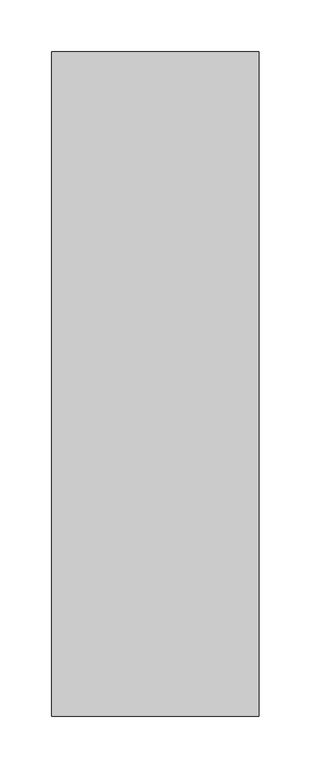
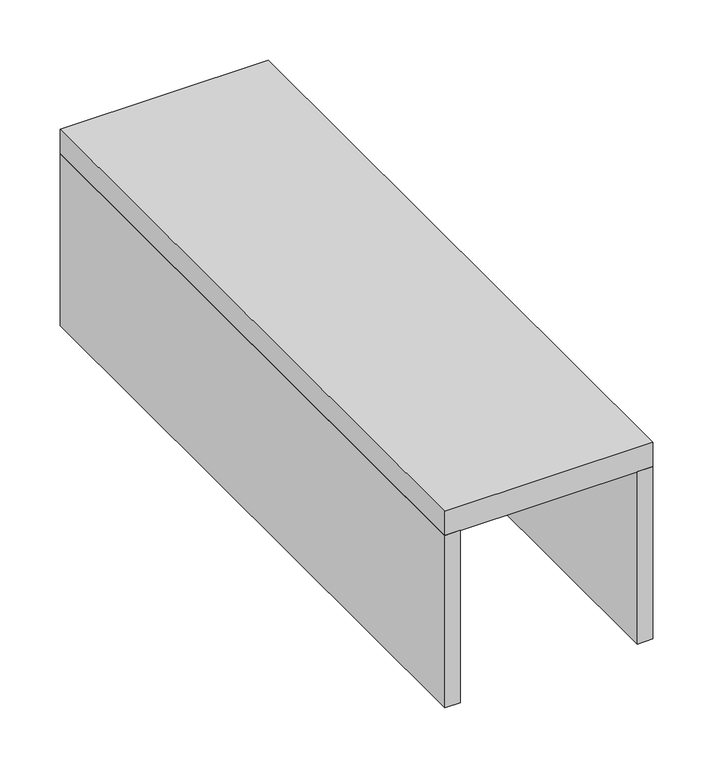
"""IFC4 building model written with IfcOpenShell, lengths in millimetres: beam geometry."""

from ifc_helpers import new_model, si_unit, frame, origin, place, context, project, spatial, polyline, outline, extrude, source, transform, mapped, element, save


def beam_4f458c7a(model_context):
    return source(origin(), model_context, "Body", "SweptSolid", [
        extrude(outline(polyline([(-1409.8443109, 1652.0761148), (-1394.8443109, 1652.0761148), (-1394.8443109, 1012.0761148), (-1409.8443109, 1012.0761148), (-1409.8443109, 1652.0761148)])), frame((0.0, 0.0, 9.999841), z_axis=(0.0, 0.0, 1.0), x_axis=(1.0, 0.0, 0.0)), (0.0, 0.0, 1.0), 175.000007),
        extrude(outline(polyline([(-1594.8443109, 1652.0761148), (-1579.8443109, 1652.0761148), (-1579.8443109, 1012.0761148), (-1594.8443109, 1012.0761148), (-1594.8443109, 1652.0761148)])), frame((0.0, 0.0, 9.999841), z_axis=(0.0, 0.0, 1.0), x_axis=(1.0, 0.0, 0.0)), (0.0, 0.0, 1.0), 175.000007),
        extrude(outline(polyline([(-1594.8443109, 1652.0761148), (-1394.8443109, 1652.0761148), (-1394.8443109, 1012.0761148), (-1594.8443109, 1012.0761148), (-1594.8443109, 1652.0761148)])), frame((0.0, 0.0, 184.999848), z_axis=(0.0, 0.0, 1.0), x_axis=(1.0, 0.0, 0.0)), (0.0, 0.0, 1.0), 25.000006),
    ])


if __name__ == "__main__":
    model = new_model("IFC4")
    model_context = context("Model", 3, world=origin())
    ifc_project = project(units=[si_unit("LENGTHUNIT", "METRE", prefix="MILLI")], contexts=[model_context])
    site = spatial("IfcSite", under=ifc_project)
    building = spatial("IfcBuilding", under=site)
    placement = place(None, origin())
    beam_shape = beam_4f458c7a(model_context)
    element("IfcBeam", 1, at=placement, inside=building, context=model_context, shape_type="MappedRepresentation", body=[
        mapped(beam_shape, transform((0.0, 0.0, 0.0), x_axis=(1.0, 0.0, 0.0), y_axis=(0.0, 1.0, 0.0), z_axis=(0.0, 0.0, 1.0))),
    ])
    save(model, "model.ifc")
